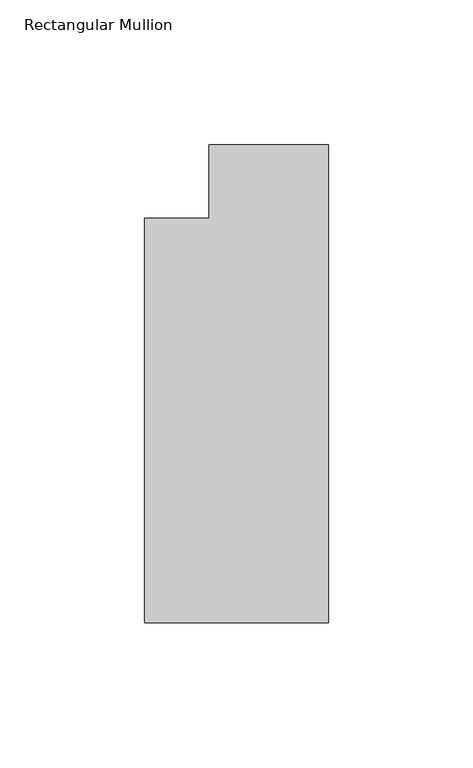
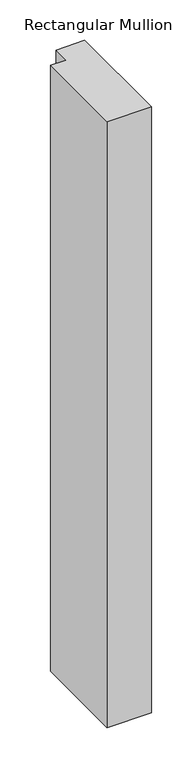
"""IFC4 building model written with IfcOpenShell, lengths in millimetres: member geometry, Rectangular Mullion."""

from ifc_helpers import new_model, si_unit, frame, origin, place, context, project, spatial, polyline, outline, extrude, source, transform, mapped, element, save


def rectangular_mullion_c8364876(model_context):
    return source(origin(), model_context, "Body", "SweptSolid", [
        extrude(outline(polyline([(0.0, -165.099995), (-63.5, -165.099995), (-63.5, -25.4), (-41.2751132, -25.4), (-41.2751132, 0.0), (0.0, 0.0), (0.0, -165.099995)])), frame((0.0, 0.0, -914.4), z_axis=(0.0, 0.0, 1.0), x_axis=(1.0, 0.0, 0.0)), (0.0, 0.0, 1.0), 914.4),
    ])


if __name__ == "__main__":
    model = new_model("IFC4")
    model_context = context("Model", 3, world=origin())
    ifc_project = project(units=[si_unit("LENGTHUNIT", "METRE", prefix="MILLI")], contexts=[model_context])
    site = spatial("IfcSite", under=ifc_project)
    building = spatial("IfcBuilding", under=site)
    placement = place(None, origin())
    rectangular_mullion_shape = rectangular_mullion_c8364876(model_context)
    element("IfcMember", 1, ObjectType="Rectangular Mullion", at=placement, inside=building, context=model_context, shape_type="MappedRepresentation", body=[
        mapped(rectangular_mullion_shape, transform((0.0, 0.0, 0.0), x_axis=(1.0, 0.0, 0.0), y_axis=(0.0, 1.0, 0.0), z_axis=(0.0, 0.0, 1.0))),
    ])
    save(model, "model.ifc")
